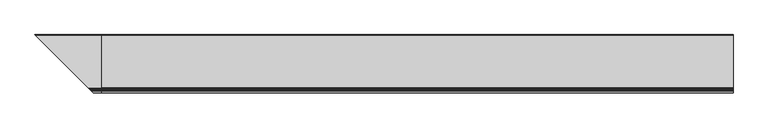
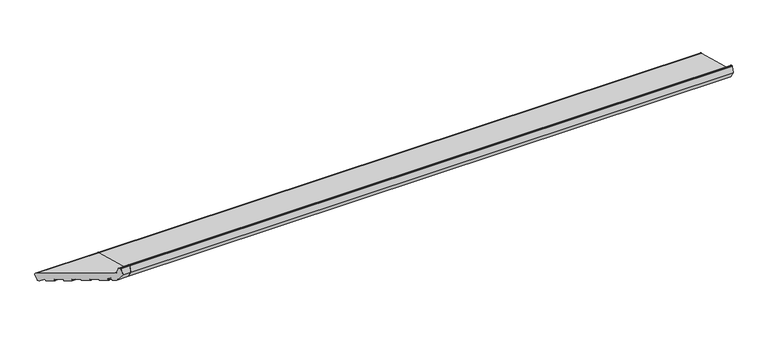
"""IFC4 building model written with IfcOpenShell, lengths in millimetres: proxy geometry."""

import ifcopenshell
import ifcopenshell.guid

model = None  # the IFC model being written
_history = None  # IfcOwnerHistory: only IFC2X3 demands one
_inside = {}  # id of a spatial element -> (the spatial element, [elements in it])
_under = {}  # id of a project, library or spatial element -> (it, [spatial elements below it])
_declared = {}  # id of a project -> (the project, [libraries it declares])
_typed = {}  # id of a type object -> (the type object, [elements of that type])
_made_of = {}  # id of a material, layer set ... -> (it, [elements and type objects made of it])


def new_model(schema):
    """Start an empty IFC model of exactly this schema.

    Asked for "IFC4X3", IfcOpenShell would pick the latest addendum, in which some entities
    have other attributes; the version numbers below select the first issue.
    IFC2X3 requires an IfcOwnerHistory on every rooted entity: one is made here for all.
    """
    global model, _history
    if schema == "IFC4X3":
        model = ifcopenshell.file(schema_version=(4, 3, 0, 0))
    else:
        model = ifcopenshell.file(schema=schema)
    _inside.clear()
    _under.clear()
    _declared.clear()
    _typed.clear()
    _made_of.clear()
    _history = None
    if model.schema == "IFC2X3":
        org = make("IfcOrganization", Name="unknown")
        user = make(
            "IfcPersonAndOrganization",
            ThePerson=make("IfcPerson", FamilyName="unknown"),
            TheOrganization=org,
        )
        app = make(
            "IfcApplication",
            ApplicationDeveloper=org,
            Version="unknown",
            ApplicationFullName="unknown",
            ApplicationIdentifier="unknown",
        )
        _history = make(
            "IfcOwnerHistory",
            OwningUser=user,
            OwningApplication=app,
            ChangeAction="ADDED",
            CreationDate=0,
        )
    return model


def make(cls, **values):
    """One entity of the class cls with the attributes given. An attribute that is None is left unset."""
    return model.create_entity(
        cls, **{name: value for name, value in values.items() if value is not None}
    )


def rooted(cls, **values):
    """An entity with a GlobalId (a new one), such as an element, a storey or a relation."""
    return make(cls, GlobalId=ifcopenshell.guid.new(), OwnerHistory=_history, **values)


def si_unit(unit_type, name, prefix=None):
    """IfcSIUnit, for example si_unit("LENGTHUNIT", "METRE", prefix="MILLI")."""
    return make("IfcSIUnit", UnitType=unit_type, Prefix=prefix, Name=name)


def assignment(units):
    """IfcUnitAssignment: the units of a project."""
    return None if units is None else make("IfcUnitAssignment", Units=units)


def point(xyz):
    """IfcCartesianPoint."""
    return None if xyz is None else make("IfcCartesianPoint", Coordinates=xyz)


def direction(xyz):
    """IfcDirection."""
    return None if xyz is None else make("IfcDirection", DirectionRatios=xyz)


def frame(location, z_axis=None, x_axis=None):
    """IfcAxis2Placement3D, a coordinate frame: its origin and axes. An axis left out is left unset."""
    return make(
        "IfcAxis2Placement3D",
        Location=point(location),
        Axis=direction(z_axis),
        RefDirection=direction(x_axis),
    )


def frame_2d(location, x_axis=None):
    """IfcAxis2Placement2D, a coordinate frame in the plane: its origin and x axis."""
    return make(
        "IfcAxis2Placement2D", Location=point(location), RefDirection=direction(x_axis)
    )


def origin():
    """The frame at (0, 0, 0) with its axes left unset."""
    return frame((0.0, 0.0, 0.0))


def place(relative_to, where):
    """IfcLocalPlacement: puts the frame where relative to a parent placement (None: the world)."""
    return make(
        "IfcLocalPlacement", PlacementRelTo=relative_to, RelativePlacement=where
    )


def context(
    kind, dimensions, precision=None, world=None, true_north=None, identifier=None
):
    """IfcGeometricRepresentationContext, for example the 3D "Model" context."""
    return make(
        "IfcGeometricRepresentationContext",
        ContextIdentifier=identifier,
        ContextType=kind,
        CoordinateSpaceDimension=dimensions,
        Precision=precision,
        WorldCoordinateSystem=world,
        TrueNorth=true_north,
    )


def project(units=None, contexts=None):
    """IfcProject with its units and contexts."""
    return rooted(
        "IfcProject",
        Name="project",
        RepresentationContexts=contexts,
        UnitsInContext=assignment(units),
    )


def spatial(cls, under=None, at=None, **own):
    """A site, building, storey or space (cls), placed at a placement, below another one or the project."""
    s = rooted(cls, ObjectPlacement=at, **own)
    if under is not None:
        _under.setdefault(under.id(), (under, []))[1].append(s)
    return s


def polyline(points):
    """IfcPolyline through the points."""
    return make("IfcPolyline", Points=[point(p) for p in points])


def circle_curve(where, radius):
    """IfcCircle in the frame where."""
    return make("IfcCircle", Position=where, Radius=radius)


def ellipse_curve(where, semi_axis1, semi_axis2):
    """IfcEllipse in the frame where."""
    return make(
        "IfcEllipse", Position=where, SemiAxis1=semi_axis1, SemiAxis2=semi_axis2
    )


def trimmed(basis, trim1, trim2, sense, master):
    """IfcTrimmedCurve: the piece of a basis curve between two trims."""
    return make(
        "IfcTrimmedCurve",
        BasisCurve=basis,
        Trim1=trim1,
        Trim2=trim2,
        SenseAgreement=sense,
        MasterRepresentation=master,
    )


def segment(curve, same_sense, transition):
    """IfcCompositeCurveSegment."""
    return make(
        "IfcCompositeCurveSegment",
        Transition=transition,
        SameSense=same_sense,
        ParentCurve=curve,
    )


def composite_curve(segments, self_intersect=None):
    """IfcCompositeCurve: segments joined end to end."""
    return make("IfcCompositeCurve", Segments=segments, SelfIntersect=self_intersect)


def outline(outer, holes=None, kind="AREA"):
    """IfcArbitraryClosedProfileDef: a profile drawn as a closed curve; with holes, ...WithVoids."""
    if holes is None:
        return make("IfcArbitraryClosedProfileDef", ProfileType=kind, OuterCurve=outer)
    return make(
        "IfcArbitraryProfileDefWithVoids",
        ProfileType=kind,
        OuterCurve=outer,
        InnerCurves=holes,
    )


def extrude(swept, where, along, depth):
    """IfcExtrudedAreaSolid: the profile swept, set in the frame where, extruded along a direction by depth."""
    return make(
        "IfcExtrudedAreaSolid",
        SweptArea=swept,
        Position=where,
        ExtrudedDirection=direction(along),
        Depth=depth,
    )


def shape(context_of_items, identifier, shape_type, items):
    """IfcShapeRepresentation: the items that make up one representation, for example the "Body"."""
    return make(
        "IfcShapeRepresentation",
        ContextOfItems=context_of_items,
        RepresentationIdentifier=identifier,
        RepresentationType=shape_type,
        Items=items,
    )


def source(mapping_origin, context_of_items, identifier, shape_type, items):
    """IfcRepresentationMap: a shape defined once, which mapped items show again and again."""
    return make(
        "IfcRepresentationMap",
        MappingOrigin=mapping_origin,
        MappedRepresentation=shape(context_of_items, identifier, shape_type, items),
    )


def transform(
    local_origin,
    x_axis=None,
    y_axis=None,
    z_axis=None,
    scale=None,
    scale2=None,
    scale3=None,
    uniform=True,
):
    """IfcCartesianTransformationOperator3D, or its non-uniform kind. x_axis, y_axis, z_axis: its Axis1, 2, 3."""
    if uniform:
        return make(
            "IfcCartesianTransformationOperator3D",
            Axis1=direction(x_axis),
            Axis2=direction(y_axis),
            LocalOrigin=point(local_origin),
            Scale=scale,
            Axis3=direction(z_axis),
        )
    return make(
        "IfcCartesianTransformationOperator3DnonUniform",
        Axis1=direction(x_axis),
        Axis2=direction(y_axis),
        LocalOrigin=point(local_origin),
        Scale=scale,
        Axis3=direction(z_axis),
        Scale2=scale2,
        Scale3=scale3,
    )


def mapped(mapping_source, mapping_target):
    """IfcMappedItem: shows the shape of a source again, moved by a transform."""
    return make(
        "IfcMappedItem", MappingSource=mapping_source, MappingTarget=mapping_target
    )


def made_of(thing, what):
    """Note that an element or type object is made of a material, layer set ...; save() writes the relation."""
    if what is not None:
        _made_of.setdefault(what.id(), (what, []))[1].append(thing)
    return thing


def element(
    cls,
    number,
    at=None,
    inside=None,
    cuts=None,
    type_object=None,
    material=None,
    context=None,
    identifier="Body",
    shape_type=None,
    held_by="IfcProductDefinitionShape",
    body=None,
    shapes=None,
    **own,
):
    """One element of the class cls, such as IfcWall. Its Tag is "e" and its number.

    at: its placement. inside: the storey or other place that contains it. cuts: it is an
    opening in that element (IfcRelVoidsElement). A single representation is given by context,
    identifier, shape_type and body (its items); several are given by shapes. held_by: the class
    of the entity that holds the representations. save() writes the other relations.
    """
    e = rooted(cls, Tag="e%d" % number, ObjectPlacement=at, **own)
    if body is not None:
        shapes = [shape(context, identifier, shape_type, body)]
    if shapes is not None:
        e.Representation = make(held_by, Representations=shapes)
    if inside is not None:
        _inside.setdefault(inside.id(), (inside, []))[1].append(e)
    if cuts is not None:
        rooted(
            "IfcRelVoidsElement", RelatingBuildingElement=cuts, RelatedOpeningElement=e
        )
    if type_object is not None:
        _typed.setdefault(type_object.id(), (type_object, []))[1].append(e)
    return made_of(e, material)


def aggregate(whole, parts):
    """IfcRelAggregates: a whole, such as a stair, and the parts it consists of."""
    return rooted("IfcRelAggregates", RelatingObject=whole, RelatedObjects=parts)


def save(model, path):
    """Write the relations noted so far, then the file.

    IfcRelAggregates (storeys below a building ...), IfcRelContainedInSpatialStructure (elements
    in a storey), IfcRelDefinesByType, IfcRelAssociatesMaterial and IfcRelDeclares: one each for
    every whole, place, type object, material and project.
    """
    for whole, parts in _under.values():
        aggregate(whole, parts)
    for where, things in _inside.values():
        rooted(
            "IfcRelContainedInSpatialStructure",
            RelatedElements=things,
            RelatingStructure=where,
        )
    for kind, things in _typed.values():
        rooted("IfcRelDefinesByType", RelatedObjects=things, RelatingType=kind)
    for what, things in _made_of.values():
        rooted("IfcRelAssociatesMaterial", RelatedObjects=things, RelatingMaterial=what)
    for by, libraries in _declared.values():
        rooted("IfcRelDeclares", RelatingContext=by, RelatedDefinitions=libraries)
    model.write(path)


def plane_surface(at):
    """IfcPlane: the flat surface through the origin of the frame at, square to its z axis."""
    return make("IfcPlane", Position=at)


def cylinder_surface(at, radius):
    """IfcCylindricalSurface: all points at the distance radius from the z axis of the frame at."""
    return make("IfcCylindricalSurface", Position=at, Radius=radius)


def revolved_surface(curve, axis_point, axis_direction):
    """IfcSurfaceOfRevolution: the curve turned about the line through axis_point along axis_direction."""
    return make(
        "IfcSurfaceOfRevolution",
        SweptCurve=make("IfcArbitraryOpenProfileDef", ProfileType="CURVE", Curve=curve),
        AxisPosition=make("IfcAxis1Placement", Location=point(axis_point), Axis=direction(axis_direction)),
    )


def advanced_brep(points, edges, surfaces, faces):
    """IfcAdvancedBrep: a solid bounded by faces that lie on surfaces and meet in shared edges.

    An edge is (start, end): straight between two places in points (the first is 0);
    or (start, end, curve); or (start, end, curve, False) where it runs against its curve.
    A face is (place in surfaces, loops), or (place, loops, False) where it looks against
    its surface's normal. A loop lists edges by number (the first is 1), with a minus sign
    where the edge is run from its end to its start. The first loop is the outer one.
    """
    corners = [point(p) for p in points]
    vertices = [make("IfcVertexPoint", VertexGeometry=c) for c in corners]
    made = []
    for start, end, *more in edges:
        made.append(
            make(
                "IfcEdgeCurve",
                EdgeStart=vertices[start],
                EdgeEnd=vertices[end],
                EdgeGeometry=more[0] if more else make("IfcPolyline", Points=[corners[start], corners[end]]),
                SameSense=more[1] if len(more) > 1 else True,
            )
        )
    hull = []
    for where, loops, *sense in faces:
        bounds = []
        for j, loop in enumerate(loops):
            ring = [make("IfcOrientedEdge", EdgeElement=made[abs(k) - 1], Orientation=k > 0) for k in loop]
            bounds.append(
                make(
                    "IfcFaceOuterBound" if j == 0 else "IfcFaceBound",
                    Bound=make("IfcEdgeLoop", EdgeList=ring),
                    Orientation=True,
                )
            )
        hull.append(make("IfcAdvancedFace", Bounds=bounds, FaceSurface=surfaces[where], SameSense=sense[0] if sense else True))
    return make("IfcAdvancedBrep", Outer=make("IfcClosedShell", CfsFaces=hull))


def generic_models_e576b1ea(model_context):
    return source(origin(), model_context, "Body", "SolidModel", [
        advanced_brep(
        [(0.0, 24.372022, 5.5048126), (0.0, 28.0462566, 7.6261329), (0.0, 34.7755518, 32.7402044), (0.0, 32.6542315, 36.414439), (0.0, -186.1626434, 95.0462439), (0.0, -190.4052841, 99.2888846), (0.0, -195.1879801, 117.1381494), (0.0, -196.6368689, 118.2499208), (0.0, -199.9802434, 118.2499208), (0.0, -201.4291321, 117.1381494), (0.0, -208.0, 92.6153365), (0.0, -190.3223305, 61.9967148), (0.0, -179.6971464, 59.1497053), (0.0, -178.4724015, 59.856812), (0.0, -177.4371253, 63.7205153), (0.0, -176.2123805, 64.4276221), (0.0, -166.5531222, 61.8394317), (0.0, -165.8460154, 60.6146868), (0.0, -166.8812916, 56.7509835), (0.0, -166.1741848, 55.5262386), (0.0, -143.9578908, 49.5734006), (0.0, -142.7331459, 50.2805074), (0.0, -141.6978698, 54.1442107), (0.0, -140.4731249, 54.8513175), (0.0, -117.2909051, 48.6396604), (0.0, -116.5837983, 47.4149155), (0.0, -117.6190745, 43.5512122), (0.0, -116.9119677, 42.3264673), (0.0, -94.6956737, 36.3736293), (0.0, -93.4709288, 37.0807361), (0.0, -92.4356526, 40.9444394), (0.0, -91.2109077, 41.6515462), (0.0, -68.0286879, 35.4398891), (0.0, -67.3215811, 34.2151442), (0.0, -68.3568573, 30.3514409), (0.0, -67.6497505, 29.126696), (0.0, -45.4334565, 23.173858), (0.0, -44.2087117, 23.8809648), (0.0, -43.1734355, 27.7446681), (0.0, -41.9486906, 28.4517749), (0.0, -18.7664708, 22.2401178), (0.0, -18.059364, 21.0153729), (0.0, -19.0946402, 17.1516696), (0.0, -18.3875334, 15.9269247), (0.0, 3.8287606, 9.9740867), (0.0, 5.0535055, 10.6811935), (0.0, 6.0027589, 14.2238555), (0.0, 7.4870147, 14.8202172), (0.0, 21.6552444, 6.2327709), (-265.372022, 24.372022, 5.5048126), (-269.0462566, 28.0462566, 7.6261329), (-275.7755518, 34.7755518, 32.7402044), (-273.6542315, 32.6542315, 36.414439), (-54.8373566, -186.1626434, 95.0462439), (-50.5947159, -190.4052841, 99.2888846), (-45.8120199, -195.1879801, 117.1381494), (-44.3631311, -196.6368689, 118.2499208), (-41.0197566, -199.9802434, 118.2499208), (-39.5708679, -201.4291321, 117.1381494), (-33.0, -208.0, 92.6153365), (-50.6776695, -190.3223305, 61.9967148), (-61.3028536, -179.6971464, 59.1497053), (-62.5275985, -178.4724015, 59.856812), (-63.5628747, -177.4371253, 63.7205153), (-64.7876195, -176.2123805, 64.4276221), (-74.4468778, -166.5531222, 61.8394317), (-75.1539846, -165.8460154, 60.6146868), (-74.1187084, -166.8812916, 56.7509835), (-74.8258152, -166.1741848, 55.5262386), (-97.0421092, -143.9578908, 49.5734006), (-98.2668541, -142.7331459, 50.2805074), (-99.3021302, -141.6978698, 54.1442107), (-100.5268751, -140.4731249, 54.8513175), (-262.6552444, 21.6552444, 6.2327709), (-123.7090949, -117.2909051, 48.6396604), (-123.3809255, -117.6190745, 43.5512122), (-124.0880323, -116.9119677, 42.3264673), (-124.4162017, -116.5837983, 47.4149155), (-146.3043263, -94.6956737, 36.3736293), (-147.5290712, -93.4709288, 37.0807361), (-148.5643474, -92.4356526, 40.9444394), (-149.7890923, -91.2109077, 41.6515462), (-172.9713121, -68.0286879, 35.4398891), (-248.4870147, 7.4870147, 14.8202172), (-247.0027589, 6.0027589, 14.2238555), (-246.0535055, 5.0535055, 10.6811935), (-244.8287606, 3.8287606, 9.9740867), (-222.6124666, -18.3875334, 15.9269247), (-221.9053598, -19.0946402, 17.1516696), (-222.940636, -18.059364, 21.0153729), (-222.2335292, -18.7664708, 22.2401178), (-199.0513094, -41.9486906, 28.4517749), (-197.8265645, -43.1734355, 27.7446681), (-196.7912883, -44.2087117, 23.8809648), (-195.5665435, -45.4334565, 23.173858), (-173.3502495, -67.6497505, 29.126696), (-172.6431427, -68.3568573, 30.3514409), (-173.6784189, -67.3215811, 34.2151442)],
        [
            (0, 1, circle_curve(frame((0.0, 25.1484791, 8.40259), z_axis=(1.0, 0.0, 0.0), x_axis=(0.0, 1.0, 0.0)), 3.0)),
            (1, 2),
            (2, 3, circle_curve(frame((0.0, 31.8777743, 33.5166615), z_axis=(1.0, 0.0, 0.0), x_axis=(0.0, 1.0, 0.0)), 3.0)),
            (3, 4),
            (4, 5, circle_curve(frame((0.0, -184.6097291, 100.8417989), z_axis=(-1.0, 0.0, 0.0), x_axis=(0.0, 1.0, 0.0)), 6.0)),
            (5, 6),
            (6, 7, circle_curve(frame((0.0, -196.6368689, 116.7499208), z_axis=(1.0, 0.0, 0.0), x_axis=(0.0, 1.0, 0.0)), 1.5)),
            (7, 8),
            (8, 9, circle_curve(frame((0.0, -199.9802434, 116.7499208), z_axis=(1.0, 0.0, 0.0), x_axis=(0.0, 1.0, 0.0)), 1.5)),
            (9, 10),
            (10, 11),
            (11, 12),
            (12, 13, circle_curve(frame((0.0, -179.4383273, 60.1156311), z_axis=(1.0, 0.0, 0.0), x_axis=(0.0, 1.0, 0.0)), 1.0)),
            (13, 14),
            (14, 15, circle_curve(frame((0.0, -176.4711995, 63.4616963), z_axis=(-1.0, 0.0, 0.0), x_axis=(0.0, 1.0, 0.0)), 1.0)),
            (15, 16),
            (16, 17, circle_curve(frame((0.0, -166.8119412, 60.8735058), z_axis=(-1.0, 0.0, 0.0), x_axis=(0.0, 1.0, 0.0)), 1.0)),
            (17, 18),
            (18, 19, circle_curve(frame((0.0, -165.9153658, 56.4921644), z_axis=(1.0, 0.0, 0.0), x_axis=(0.0, 1.0, 0.0)), 1.0)),
            (19, 20),
            (20, 21, circle_curve(frame((0.0, -143.6990718, 50.5393264), z_axis=(1.0, 0.0, 0.0), x_axis=(0.0, 1.0, 0.0)), 1.0)),
            (21, 22),
            (22, 23, circle_curve(frame((0.0, -140.7319439, 53.8853916), z_axis=(-1.0, 0.0, 0.0), x_axis=(0.0, 1.0, 0.0)), 1.0)),
            (23, 24),
            (24, 25, circle_curve(frame((0.0, -117.5497241, 47.6737345), z_axis=(-1.0, 0.0, 0.0), x_axis=(0.0, 1.0, 0.0)), 1.0)),
            (25, 26),
            (26, 27, circle_curve(frame((0.0, -116.6531486, 43.2923931), z_axis=(1.0, 0.0, 0.0), x_axis=(0.0, 1.0, 0.0)), 1.0)),
            (27, 28),
            (28, 29, circle_curve(frame((0.0, -94.4368546, 37.3395551), z_axis=(1.0, 0.0, 0.0), x_axis=(0.0, 1.0, 0.0)), 1.0)),
            (29, 30),
            (30, 31, circle_curve(frame((0.0, -91.4697268, 40.6856203), z_axis=(-1.0, 0.0, 0.0), x_axis=(0.0, 1.0, 0.0)), 1.0)),
            (31, 32),
            (32, 33, circle_curve(frame((0.0, -68.287507, 34.4739632), z_axis=(-1.0, 0.0, 0.0), x_axis=(0.0, 1.0, 0.0)), 1.0)),
            (33, 34),
            (34, 35, circle_curve(frame((0.0, -67.3909315, 30.0926218), z_axis=(1.0, 0.0, 0.0), x_axis=(0.0, 1.0, 0.0)), 1.0)),
            (35, 36),
            (36, 37, circle_curve(frame((0.0, -45.1746375, 24.1397838), z_axis=(1.0, 0.0, 0.0), x_axis=(0.0, 1.0, 0.0)), 1.0)),
            (37, 38),
            (38, 39, circle_curve(frame((0.0, -42.2075096, 27.485849), z_axis=(-1.0, 0.0, 0.0), x_axis=(0.0, 1.0, 0.0)), 1.0)),
            (39, 40),
            (40, 41, circle_curve(frame((0.0, -19.0252898, 21.2741919), z_axis=(-1.0, 0.0, 0.0), x_axis=(0.0, 1.0, 0.0)), 1.0)),
            (41, 42),
            (42, 43, circle_curve(frame((0.0, -18.1287143, 16.8928505), z_axis=(1.0, 0.0, 0.0), x_axis=(0.0, 1.0, 0.0)), 1.0)),
            (43, 44),
            (44, 45, circle_curve(frame((0.0, 4.0875797, 10.9400125), z_axis=(1.0, 0.0, 0.0), x_axis=(0.0, 1.0, 0.0)), 1.0)),
            (45, 46),
            (46, 47, circle_curve(frame((0.0, 6.9686847, 13.9650365), z_axis=(-1.0, 0.0, 0.0), x_axis=(0.0, 1.0, 0.0)), 1.0)),
            (47, 48),
            (48, 0),
            (0, 49),
            (49, 50, ellipse_curve(frame((-266.1484791, 25.1484791, 8.40259), z_axis=(0.707106781186548, 0.7071067811865471, 0.0), x_axis=(-0.707106781186547, 0.707106781186548, 0.0)), 4.2426407, 3.0)),
            (50, 1),
            (50, 51),
            (51, 2),
            (51, 52, ellipse_curve(frame((-272.8777743, 31.8777743, 33.5166615), z_axis=(0.707106781186548, 0.7071067811865471, 0.0), x_axis=(-0.707106781186547, 0.707106781186548, 0.0)), 4.2426407, 3.0)),
            (52, 3),
            (52, 53),
            (53, 4),
            (53, 54, ellipse_curve(frame((-56.3902709, -184.6097291, 100.8417989), z_axis=(-0.707106781186548, -0.7071067811865471, 0.0), x_axis=(0.707106781186547, -0.707106781186548, 0.0)), 8.4852814, 6.0)),
            (54, 5),
            (54, 55),
            (55, 6),
            (55, 56, ellipse_curve(frame((-44.3631311, -196.6368689, 116.7499208), z_axis=(0.707106781186548, 0.7071067811865471, 0.0), x_axis=(-0.707106781186547, 0.707106781186548, 0.0)), 2.1213203, 1.5)),
            (56, 7),
            (56, 57),
            (57, 8),
            (57, 58, ellipse_curve(frame((-41.0197566, -199.9802434, 116.7499208), z_axis=(0.707106781186548, 0.7071067811865471, 0.0), x_axis=(-0.707106781186547, 0.707106781186548, 0.0)), 2.1213203, 1.5)),
            (58, 9),
            (58, 59),
            (59, 10),
            (59, 60),
            (60, 11),
            (60, 61),
            (61, 12),
            (61, 62, ellipse_curve(frame((-61.5616727, -179.4383273, 60.1156311), z_axis=(0.707106781186548, 0.7071067811865471, 0.0), x_axis=(-0.707106781186547, 0.707106781186548, 0.0)), 1.4142136, 1.0)),
            (62, 13),
            (62, 63),
            (63, 14),
            (63, 64, ellipse_curve(frame((-64.5288005, -176.4711995, 63.4616963), z_axis=(-0.707106781186548, -0.7071067811865471, 0.0), x_axis=(0.707106781186547, -0.707106781186548, 0.0)), 1.4142136, 1.0)),
            (64, 15),
            (64, 65),
            (65, 16),
            (65, 66, ellipse_curve(frame((-74.1880588, -166.8119412, 60.8735058), z_axis=(-0.707106781186548, -0.7071067811865471, 0.0), x_axis=(0.707106781186547, -0.707106781186548, 0.0)), 1.4142136, 1.0)),
            (66, 17),
            (66, 67),
            (67, 18),
            (67, 68, ellipse_curve(frame((-75.0846342, -165.9153658, 56.4921644), z_axis=(0.707106781186548, 0.7071067811865471, 0.0), x_axis=(-0.707106781186547, 0.707106781186548, 0.0)), 1.4142136, 1.0)),
            (68, 19),
            (68, 69),
            (69, 20),
            (69, 70, ellipse_curve(frame((-97.3009282, -143.6990718, 50.5393264), z_axis=(0.707106781186548, 0.7071067811865471, 0.0), x_axis=(-0.707106781186547, 0.707106781186548, 0.0)), 1.4142136, 1.0)),
            (70, 21),
            (70, 71),
            (71, 22),
            (71, 72, ellipse_curve(frame((-100.2680561, -140.7319439, 53.8853916), z_axis=(-0.707106781186548, -0.7071067811865471, 0.0), x_axis=(0.707106781186547, -0.707106781186548, 0.0)), 1.4142136, 1.0)),
            (72, 23),
            (48, 73),
            (73, 49),
            (72, 74),
            (74, 24),
            (26, 75),
            (75, 76, ellipse_curve(frame((-124.3468514, -116.6531486, 43.2923931), z_axis=(0.707106781186548, 0.7071067811865471, 0.0), x_axis=(-0.707106781186547, 0.707106781186548, 0.0)), 1.4142136, 1.0)),
            (76, 27),
            (25, 77),
            (77, 75),
            (74, 77, ellipse_curve(frame((-123.4502759, -117.5497241, 47.6737345), z_axis=(-0.707106781186548, -0.7071067811865471, 0.0), x_axis=(0.707106781186547, -0.707106781186548, 0.0)), 1.4142136, 1.0)),
            (76, 78),
            (78, 28),
            (78, 79, ellipse_curve(frame((-146.5631454, -94.4368546, 37.3395551), z_axis=(0.707106781186548, 0.7071067811865471, 0.0), x_axis=(-0.707106781186547, 0.707106781186548, 0.0)), 1.4142136, 1.0)),
            (79, 29),
            (79, 80),
            (80, 30),
            (80, 81, ellipse_curve(frame((-149.5302732, -91.4697268, 40.6856203), z_axis=(-0.707106781186548, -0.7071067811865471, 0.0), x_axis=(0.707106781186547, -0.707106781186548, 0.0)), 1.4142136, 1.0)),
            (81, 31),
            (81, 82),
            (82, 32),
            (73, 83),
            (83, 84, ellipse_curve(frame((-247.9686847, 6.9686847, 13.9650365), z_axis=(0.707106781186548, 0.7071067811865471, 0.0), x_axis=(0.707106781186547, -0.707106781186548, 0.0)), 1.4142136, 1.0)),
            (84, 85),
            (85, 86, ellipse_curve(frame((-245.0875797, 4.0875797, 10.9400125), z_axis=(-0.707106781186548, -0.7071067811865471, 0.0), x_axis=(-0.707106781186547, 0.707106781186548, 0.0)), 1.4142136, 1.0)),
            (86, 87),
            (87, 88, ellipse_curve(frame((-222.8712857, -18.1287143, 16.8928505), z_axis=(-0.707106781186548, -0.7071067811865471, 0.0), x_axis=(-0.707106781186547, 0.707106781186548, 0.0)), 1.4142136, 1.0)),
            (88, 89),
            (89, 90, ellipse_curve(frame((-221.9747102, -19.0252898, 21.2741919), z_axis=(0.707106781186548, 0.7071067811865471, 0.0), x_axis=(0.707106781186547, -0.707106781186548, 0.0)), 1.4142136, 1.0)),
            (90, 91),
            (91, 92, ellipse_curve(frame((-198.7924904, -42.2075096, 27.485849), z_axis=(0.707106781186548, 0.7071067811865471, 0.0), x_axis=(0.707106781186547, -0.707106781186548, 0.0)), 1.4142136, 1.0)),
            (92, 93),
            (93, 94, ellipse_curve(frame((-195.8253625, -45.1746375, 24.1397838), z_axis=(-0.707106781186548, -0.7071067811865471, 0.0), x_axis=(-0.707106781186547, 0.707106781186548, 0.0)), 1.4142136, 1.0)),
            (94, 95),
            (95, 96, ellipse_curve(frame((-173.6090685, -67.3909315, 30.0926218), z_axis=(-0.707106781186548, -0.7071067811865471, 0.0), x_axis=(-0.707106781186547, 0.707106781186548, 0.0)), 1.4142136, 1.0)),
            (96, 97),
            (97, 82, ellipse_curve(frame((-172.712493, -68.287507, 34.4739632), z_axis=(0.707106781186548, 0.7071067811865471, 0.0), x_axis=(0.707106781186547, -0.707106781186548, 0.0)), 1.4142136, 1.0)),
            (39, 91),
            (90, 40),
            (38, 92),
            (37, 93),
            (36, 94),
            (35, 95),
            (34, 96),
            (33, 97),
            (47, 83),
            (46, 84),
            (45, 85),
            (44, 86),
            (43, 87),
            (42, 88),
            (41, 89),
        ],
        [
            plane_surface(frame((0.0, 0.0, 0.0), z_axis=(1.0, 0.0, 0.0), x_axis=(0.0, 0.0, 1.0))),
            cylinder_surface(frame((-276.4826586, 25.1484791, 8.40259), z_axis=(-1.0, 0.0, 0.0), x_axis=(0.0, 1.0, 0.0)), 3.0),
            plane_surface(frame((-276.4826586, 34.7755518, 32.7402044), z_axis=(0.0, 0.9659258262890675, -0.25881904510252357), x_axis=(1.0, 0.0, 0.0))),
            cylinder_surface(frame((-276.4826586, 31.8777743, 33.5166615), z_axis=(-1.0, 0.0, 0.0), x_axis=(0.0, 1.0, 0.0)), 3.0),
            plane_surface(frame((-276.4826586, -186.1626434, 95.0462439), z_axis=(0.0, 0.2588190451025208, 0.9659258262890683), x_axis=(1.0, 0.0, 0.0))),
            revolved_surface(polyline([(0.0, -178.6097291, 100.8417989), (-62.39027091821606, -178.6097291, 100.8417989)]), (-276.4826586, -184.6097291, 100.8417989), (1.0, 0.0, 0.0)),
            plane_surface(frame((-276.4826586, -195.1879801, 117.1381494), z_axis=(0.0, 0.9659258262890698, 0.25881904510251524), x_axis=(1.0, 0.0, 0.0))),
            cylinder_surface(frame((-276.4826586, -196.6368689, 116.7499208), z_axis=(-1.0, 0.0, 0.0), x_axis=(0.0, 1.0, 0.0)), 1.5),
            plane_surface(frame((-276.4826586, -199.9802434, 118.2499208), z_axis=(0.0, 0.0, 1.0), x_axis=(1.0, 0.0, 0.0))),
            cylinder_surface(frame((-276.4826586, -199.9802434, 116.7499208), z_axis=(-1.0, 0.0, 0.0), x_axis=(0.0, 1.0, 0.0)), 1.5),
            plane_surface(frame((-276.4826586, -208.0, 92.6153365), z_axis=(0.0, -0.9659258262890684, 0.2588190451025204), x_axis=(1.0, 0.0, 0.0))),
            plane_surface(frame((-276.4826586, -190.3223305, 61.9967148), z_axis=(0.0, -0.8660254037844406, -0.49999999999999667), x_axis=(1.0, 0.0, 0.0))),
            plane_surface(frame((-276.4826586, -179.6971464, 59.1497053), z_axis=(0.0, -0.2588190451025198, -0.9659258262890686), x_axis=(1.0, 0.0, 0.0))),
            cylinder_surface(frame((-276.4826586, -179.4383273, 60.1156311), z_axis=(-1.0, 0.0, 0.0), x_axis=(0.0, 1.0, 0.0)), 1.0),
            plane_surface(frame((-276.4826586, -177.4371253, 63.7205153), z_axis=(0.0, 0.9659258262890634, -0.2588190451025389), x_axis=(1.0, 0.0, 0.0))),
            revolved_surface(polyline([(0.0, -175.4711995, 63.4616963), (-65.52880052660623, -175.4711995, 63.4616963)]), (-276.4826586, -176.4711995, 63.4616963), (1.0, 0.0, 0.0)),
            plane_surface(frame((-276.4826586, -166.5531222, 61.8394317), z_axis=(0.0, -0.25881904510251746, -0.9659258262890692), x_axis=(1.0, 0.0, 0.0))),
            revolved_surface(polyline([(0.0, -165.8119412, 60.8735058), (-75.18805882660624, -165.8119412, 60.8735058)]), (-276.4826586, -166.8119412, 60.8735058), (1.0, 0.0, 0.0)),
            plane_surface(frame((-276.4826586, -166.8812916, 56.7509835), z_axis=(0.0, -0.9659258262890634, 0.2588190451025389), x_axis=(1.0, 0.0, 0.0))),
            cylinder_surface(frame((-276.4826586, -165.9153658, 56.4921644), z_axis=(-1.0, 0.0, 0.0), x_axis=(0.0, 1.0, 0.0)), 1.0),
            plane_surface(frame((-276.4826586, -143.9578908, 49.5734006), z_axis=(0.0, -0.25881904510251785, -0.9659258262890691), x_axis=(1.0, 0.0, 0.0))),
            cylinder_surface(frame((-276.4826586, -143.6990718, 50.5393264), z_axis=(-1.0, 0.0, 0.0), x_axis=(0.0, 1.0, 0.0)), 1.0),
            plane_surface(frame((-276.4826586, -141.6978698, 54.1442107), z_axis=(0.0, 0.9659258262890634, -0.2588190451025389), x_axis=(1.0, 0.0, 0.0))),
            revolved_surface(polyline([(0.0, -139.7319439, 53.8853916), (-101.26805612660624, -139.7319439, 53.8853916)]), (-276.4826586, -140.7319439, 53.8853916), (1.0, 0.0, 0.0)),
            plane_surface(frame((-276.4826586, 24.372022, 5.5048126), z_axis=(0.0, -0.25881904510251474, -0.9659258262890699), x_axis=(1.0, 0.0, 0.0))),
            plane_surface(frame((-276.4826586, -117.2909051, 48.6396604), z_axis=(0.0, -0.25881904510252063, -0.9659258262890683), x_axis=(1.0, 0.0, 0.0))),
            cylinder_surface(frame((-276.4826586, -116.6531486, 43.2923931), z_axis=(-1.0, 0.0, 0.0), x_axis=(0.0, 1.0, 0.0)), 1.0),
            plane_surface(frame((-276.4826586, -117.6190745, 43.5512122), z_axis=(0.0, -0.9659258262890624, 0.25881904510254283), x_axis=(1.0, 0.0, 0.0))),
            revolved_surface(polyline([(0.0, -116.5497241, 47.6737345), (-124.45027592660625, -116.5497241, 47.6737345)]), (-276.4826586, -117.5497241, 47.6737345), (1.0, 0.0, 0.0)),
            plane_surface(frame((-276.4826586, -94.6956737, 36.3736293), z_axis=(0.0, -0.2588190451025221, -0.965925826289068), x_axis=(1.0, 0.0, 0.0))),
            cylinder_surface(frame((-276.4826586, -94.4368546, 37.3395551), z_axis=(-1.0, 0.0, 0.0), x_axis=(0.0, 1.0, 0.0)), 1.0),
            plane_surface(frame((-276.4826586, -92.4356526, 40.9444394), z_axis=(0.0, 0.9659258262890624, -0.25881904510254283), x_axis=(1.0, 0.0, 0.0))),
            revolved_surface(polyline([(0.0, -90.4697268, 40.6856203), (-150.53027322660625, -90.4697268, 40.6856203)]), (-276.4826586, -91.4697268, 40.6856203), (1.0, 0.0, 0.0)),
            plane_surface(frame((-276.4826586, -68.0286879, 35.4398891), z_axis=(0.0, -0.258819045102523, -0.9659258262890678), x_axis=(1.0, 0.0, 0.0))),
            plane_surface(frame((-222.2588285, -18.7411715, 0.0), z_axis=(-0.707106781186548, -0.7071067811865471, 0.0), x_axis=(0.0, 0.0, 1.0))),
            plane_surface(frame((-276.4826586, -18.7664708, 22.2401178), z_axis=(0.0, -0.2588190451025225, -0.9659258262890679), x_axis=(1.0, 0.0, 0.0))),
            revolved_surface(polyline([(0.0, -41.2075096, 27.485849), (-199.79249042660624, -41.2075096, 27.485849)]), (-276.4826586, -42.2075096, 27.485849), (1.0, 0.0, 0.0)),
            plane_surface(frame((-276.4826586, -43.1734355, 27.7446681), z_axis=(0.0, 0.9659258262890772, -0.2588190451024876), x_axis=(1.0, 0.0, 0.0))),
            cylinder_surface(frame((-276.4826586, -45.1746375, 24.1397838), z_axis=(-1.0, 0.0, 0.0), x_axis=(0.0, 1.0, 0.0)), 1.0),
            plane_surface(frame((-276.4826586, -45.4334565, 23.173858), z_axis=(0.0, -0.2588190451025221, -0.965925826289068), x_axis=(1.0, 0.0, 0.0))),
            cylinder_surface(frame((-276.4826586, -67.3909315, 30.0926218), z_axis=(-1.0, 0.0, 0.0), x_axis=(0.0, 1.0, 0.0)), 1.0),
            plane_surface(frame((-276.4826586, -68.3568573, 30.3514409), z_axis=(0.0, -0.9659258262890634, 0.2588190451025389), x_axis=(1.0, 0.0, 0.0))),
            revolved_surface(polyline([(0.0, -67.287507, 34.4739632), (-173.71249302660624, -67.287507, 34.4739632)]), (-276.4826586, -68.287507, 34.4739632), (1.0, 0.0, 0.0)),
            plane_surface(frame((-276.4826586, 21.6552444, 6.2327709), z_axis=(0.0, -0.5183299834329773, -0.8551806991942519), x_axis=(1.0, 0.0, 0.0))),
            revolved_surface(polyline([(0.0, 7.9686847, 13.9650365), (-248.96868472660626, 7.9686847, 13.9650365)]), (-276.4826586, 6.9686847, 13.9650365), (1.0, 0.0, 0.0)),
            plane_surface(frame((-276.4826586, 6.0027589, 14.2238555), z_axis=(0.0, 0.9659258262890678, -0.2588190451025227), x_axis=(1.0, 0.0, 0.0))),
            cylinder_surface(frame((-276.4826586, 4.0875797, 10.9400125), z_axis=(-1.0, 0.0, 0.0), x_axis=(0.0, 1.0, 0.0)), 1.0),
            plane_surface(frame((-276.4826586, 3.8287606, 9.9740867), z_axis=(0.0, -0.25881904510252224, -0.965925826289068), x_axis=(1.0, 0.0, 0.0))),
            cylinder_surface(frame((-276.4826586, -18.1287143, 16.8928505), z_axis=(-1.0, 0.0, 0.0), x_axis=(0.0, 1.0, 0.0)), 1.0),
            plane_surface(frame((-276.4826586, -19.0946402, 17.1516696), z_axis=(0.0, -0.9659258262890629, 0.2588190451025409), x_axis=(1.0, 0.0, 0.0))),
            revolved_surface(polyline([(0.0, -18.0252898, 21.2741919), (-222.97471022660625, -18.0252898, 21.2741919)]), (-276.4826586, -19.0252898, 21.2741919), (1.0, 0.0, 0.0)),
        ],
        [
            (0, [[1, 2, 3, 4, 5, 6, 7, 8, 9, 10, 11, 12, 13, 14, 15, 16, 17, 18, 19, 20, 21, 22, 23, 24, 25, 26, 27, 28, 29, 30, 31, 32, 33, 34, 35, 36, 37, 38, 39, 40, 41, 42, 43, 44, 45, 46, 47, 48, 49]]),
            (1, [[-1, 50, 51, 52]]),
            (2, [[-2, -52, 53, 54]]),
            (3, [[-3, -54, 55, 56]]),
            (4, [[-4, -56, 57, 58]]),
            (5, [[-5, -58, 59, 60]]),
            (6, [[-6, -60, 61, 62]]),
            (7, [[-7, -62, 63, 64]]),
            (8, [[-8, -64, 65, 66]]),
            (9, [[-9, -66, 67, 68]]),
            (10, [[-10, -68, 69, 70]]),
            (11, [[-11, -70, 71, 72]]),
            (12, [[-12, -72, 73, 74]]),
            (13, [[-13, -74, 75, 76]]),
            (14, [[-14, -76, 77, 78]]),
            (15, [[-15, -78, 79, 80]]),
            (16, [[-16, -80, 81, 82]]),
            (17, [[-17, -82, 83, 84]]),
            (18, [[-18, -84, 85, 86]]),
            (19, [[-19, -86, 87, 88]]),
            (20, [[-20, -88, 89, 90]]),
            (21, [[-21, -90, 91, 92]]),
            (22, [[-22, -92, 93, 94]]),
            (23, [[-23, -94, 95, 96]]),
            (24, [[-49, 97, 98, -50]]),
            (25, [[-24, -96, 99, 100]]),
            (26, [[-27, 101, 102, 103]]),
            (27, [[-26, 104, 105, -101]]),
            (28, [[-25, -100, 106, -104]]),
            (29, [[-28, -103, 107, 108]]),
            (30, [[-29, -108, 109, 110]]),
            (31, [[-30, -110, 111, 112]]),
            (32, [[-31, -112, 113, 114]]),
            (33, [[-32, -114, 115, 116]]),
            (34, [[-51, -98, 117, 118, 119, 120, 121, 122, 123, 124, 125, 126, 127, 128, 129, 130, 131, 132, -115, -113, -111, -109, -107, -102, -105, -106, -99, -95, -93, -91, -89, -87, -85, -83, -81, -79, -77, -75, -73, -71, -69, -67, -65, -63, -61, -59, -57, -55, -53]]),
            (35, [[-40, 133, -125, 134]]),
            (36, [[-39, 135, -126, -133]]),
            (37, [[-38, 136, -127, -135]]),
            (38, [[-37, 137, -128, -136]]),
            (39, [[-36, 138, -129, -137]]),
            (40, [[-35, 139, -130, -138]]),
            (41, [[-34, 140, -131, -139]]),
            (42, [[-33, -116, -132, -140]]),
            (43, [[-48, 141, -117, -97]]),
            (44, [[-47, 142, -118, -141]]),
            (45, [[-46, 143, -119, -142]]),
            (46, [[-45, 144, -120, -143]]),
            (47, [[-44, 145, -121, -144]]),
            (48, [[-43, 146, -122, -145]]),
            (49, [[-42, 147, -123, -146]]),
            (50, [[-41, -134, -124, -147]]),
        ],
    ),
        extrude(outline(composite_curve([segment(polyline([(24.372022, 5.5048126), (21.6552444, 6.2327709), (7.4870147, 14.8202172)]), True, "CONTINUOUS"), segment(trimmed(circle_curve(frame_2d((6.9686847, 13.9650365)), 1.0), [point((7.4870147, 14.8202172))], [point((6.0027589, 14.2238555))], True, "CARTESIAN"), True, "CONTINUOUS"), segment(polyline([(6.0027589, 14.2238555), (5.0535055, 10.6811935)]), True, "CONTINUOUS"), segment(trimmed(circle_curve(frame_2d((4.0875797, 10.9400125)), 1.0), [point((5.0535055, 10.6811935))], [point((3.8287606, 9.9740867))], False, "CARTESIAN"), True, "CONTINUOUS"), segment(polyline([(3.8287606, 9.9740867), (-18.3875334, 15.9269247)]), True, "CONTINUOUS"), segment(trimmed(circle_curve(frame_2d((-18.1287143, 16.8928505)), 1.0), [point((-18.3875334, 15.9269247))], [point((-19.0946402, 17.1516696))], False, "CARTESIAN"), True, "CONTINUOUS"), segment(polyline([(-19.0946402, 17.1516696), (-18.059364, 21.0153729)]), True, "CONTINUOUS"), segment(trimmed(circle_curve(frame_2d((-19.0252898, 21.2741919)), 1.0), [point((-18.059364, 21.0153729))], [point((-18.7664708, 22.2401178))], True, "CARTESIAN"), True, "CONTINUOUS"), segment(polyline([(-18.7664708, 22.2401178), (-41.9486906, 28.4517749)]), True, "CONTINUOUS"), segment(trimmed(circle_curve(frame_2d((-42.2075096, 27.485849)), 1.0), [point((-41.9486906, 28.4517749))], [point((-43.1734355, 27.7446681))], True, "CARTESIAN"), True, "CONTINUOUS"), segment(polyline([(-43.1734355, 27.7446681), (-44.2087117, 23.8809648)]), True, "CONTINUOUS"), segment(trimmed(circle_curve(frame_2d((-45.1746375, 24.1397838)), 1.0), [point((-44.2087117, 23.8809648))], [point((-45.4334565, 23.173858))], False, "CARTESIAN"), True, "CONTINUOUS"), segment(polyline([(-45.4334565, 23.173858), (-67.6497505, 29.126696)]), True, "CONTINUOUS"), segment(trimmed(circle_curve(frame_2d((-67.3909315, 30.0926218)), 1.0), [point((-67.6497505, 29.126696))], [point((-68.3568573, 30.3514409))], False, "CARTESIAN"), True, "CONTINUOUS"), segment(polyline([(-68.3568573, 30.3514409), (-67.3215811, 34.2151442)]), True, "CONTINUOUS"), segment(trimmed(circle_curve(frame_2d((-68.287507, 34.4739632)), 1.0), [point((-67.3215811, 34.2151442))], [point((-68.0286879, 35.4398891))], True, "CARTESIAN"), True, "CONTINUOUS"), segment(polyline([(-68.0286879, 35.4398891), (-91.2109077, 41.6515462)]), True, "CONTINUOUS"), segment(trimmed(circle_curve(frame_2d((-91.4697268, 40.6856203)), 1.0), [point((-91.2109077, 41.6515462))], [point((-92.4356526, 40.9444394))], True, "CARTESIAN"), True, "CONTINUOUS"), segment(polyline([(-92.4356526, 40.9444394), (-93.4709288, 37.0807361)]), True, "CONTINUOUS"), segment(trimmed(circle_curve(frame_2d((-94.4368546, 37.3395551)), 1.0), [point((-93.4709288, 37.0807361))], [point((-94.6956737, 36.3736293))], False, "CARTESIAN"), True, "CONTINUOUS"), segment(polyline([(-94.6956737, 36.3736293), (-116.9119677, 42.3264673)]), True, "CONTINUOUS"), segment(trimmed(circle_curve(frame_2d((-116.6531486, 43.2923931)), 1.0), [point((-116.9119677, 42.3264673))], [point((-117.6190745, 43.5512122))], False, "CARTESIAN"), True, "CONTINUOUS"), segment(polyline([(-117.6190745, 43.5512122), (-116.5837983, 47.4149155)]), True, "CONTINUOUS"), segment(trimmed(circle_curve(frame_2d((-117.5497241, 47.6737345)), 1.0), [point((-116.5837983, 47.4149155))], [point((-117.2909051, 48.6396604))], True, "CARTESIAN"), True, "CONTINUOUS"), segment(polyline([(-117.2909051, 48.6396604), (-140.4731249, 54.8513175)]), True, "CONTINUOUS"), segment(trimmed(circle_curve(frame_2d((-140.7319439, 53.8853916)), 1.0), [point((-140.4731249, 54.8513175))], [point((-141.6978698, 54.1442107))], True, "CARTESIAN"), True, "CONTINUOUS"), segment(polyline([(-141.6978698, 54.1442107), (-142.7331459, 50.2805074)]), True, "CONTINUOUS"), segment(trimmed(circle_curve(frame_2d((-143.6990718, 50.5393264)), 1.0), [point((-142.7331459, 50.2805074))], [point((-143.9578908, 49.5734006))], False, "CARTESIAN"), True, "CONTINUOUS"), segment(polyline([(-143.9578908, 49.5734006), (-166.1741848, 55.5262386)]), True, "CONTINUOUS"), segment(trimmed(circle_curve(frame_2d((-165.9153658, 56.4921644)), 1.0), [point((-166.1741848, 55.5262386))], [point((-166.8812916, 56.7509835))], False, "CARTESIAN"), True, "CONTINUOUS"), segment(polyline([(-166.8812916, 56.7509835), (-165.8460154, 60.6146868)]), True, "CONTINUOUS"), segment(trimmed(circle_curve(frame_2d((-166.8119412, 60.8735058)), 1.0), [point((-165.8460154, 60.6146868))], [point((-166.5531222, 61.8394317))], True, "CARTESIAN"), True, "CONTINUOUS"), segment(polyline([(-166.5531222, 61.8394317), (-176.2123805, 64.4276221)]), True, "CONTINUOUS"), segment(trimmed(circle_curve(frame_2d((-176.4711995, 63.4616963)), 1.0), [point((-176.2123805, 64.4276221))], [point((-177.4371253, 63.7205153))], True, "CARTESIAN"), True, "CONTINUOUS"), segment(polyline([(-177.4371253, 63.7205153), (-178.4724015, 59.856812)]), True, "CONTINUOUS"), segment(trimmed(circle_curve(frame_2d((-179.4383273, 60.1156311)), 1.0), [point((-178.4724015, 59.856812))], [point((-179.6971464, 59.1497053))], False, "CARTESIAN"), True, "CONTINUOUS"), segment(polyline([(-179.6971464, 59.1497053), (-190.3223305, 61.9967148), (-208.0, 92.6153365), (-201.4291321, 117.1381494)]), True, "CONTINUOUS"), segment(trimmed(circle_curve(frame_2d((-199.9802434, 116.7499208)), 1.5), [point((-201.4291321, 117.1381494))], [point((-199.9802434, 118.2499208))], False, "CARTESIAN"), True, "CONTINUOUS"), segment(polyline([(-199.9802434, 118.2499208), (-196.6368689, 118.2499208)]), True, "CONTINUOUS"), segment(trimmed(circle_curve(frame_2d((-196.6368689, 116.7499208)), 1.5), [point((-196.6368689, 118.2499208))], [point((-195.1879801, 117.1381494))], False, "CARTESIAN"), True, "CONTINUOUS"), segment(polyline([(-195.1879801, 117.1381494), (-190.4052841, 99.2888846)]), True, "CONTINUOUS"), segment(trimmed(circle_curve(frame_2d((-184.6097291, 100.8417989)), 6.0), [point((-190.4052841, 99.2888846))], [point((-186.1626434, 95.0462439))], True, "CARTESIAN"), True, "CONTINUOUS"), segment(polyline([(-186.1626434, 95.0462439), (32.6542315, 36.414439)]), True, "CONTINUOUS"), segment(trimmed(circle_curve(frame_2d((31.8777743, 33.5166615)), 3.0), [point((32.6542315, 36.414439))], [point((34.7755518, 32.7402044))], False, "CARTESIAN"), True, "CONTINUOUS"), segment(polyline([(34.7755518, 32.7402044), (28.0462566, 7.6261329)]), True, "CONTINUOUS"), segment(trimmed(circle_curve(frame_2d((25.1484791, 8.40259)), 3.0), [point((28.0462566, 7.6261329))], [point((24.372022, 5.5048126))], False, "CARTESIAN"), True, "CONTINUOUS")], self_intersect=False)), frame((0.0, 0.0, 0.0), z_axis=(1.0, 0.0, 0.0), x_axis=(0.0, 1.0, 0.0)), (0.0, 0.0, 1.0), 2620.0),
    ])


if __name__ == "__main__":
    model = new_model("IFC4")
    model_context = context("Model", 3, world=origin())
    ifc_project = project(units=[si_unit("LENGTHUNIT", "METRE", prefix="MILLI")], contexts=[model_context])
    site = spatial("IfcSite", under=ifc_project)
    building = spatial("IfcBuilding", under=site)
    placement = place(None, origin())
    generic_models_shape = generic_models_e576b1ea(model_context)
    element("IfcBuildingElementProxy", 1, Name="Generic Models", at=placement, inside=building, context=model_context, shape_type="MappedRepresentation", body=[
        mapped(generic_models_shape, transform((0.0, 0.0, 0.0), x_axis=(1.0, 0.0, 0.0), y_axis=(0.0, 1.0, 0.0), z_axis=(0.0, 0.0, 1.0))),
    ])
    save(model, "model.ifc")
